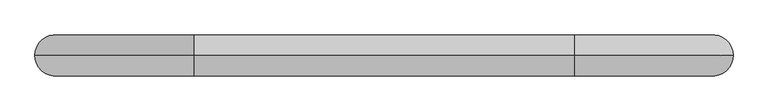
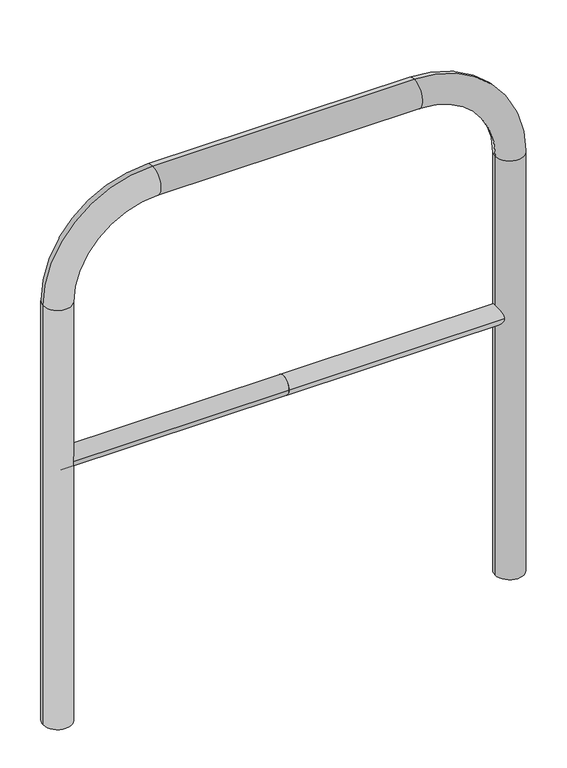
"""IFC4 building model written with IfcOpenShell, lengths in millimetres: proxy geometry."""

from ifc_helpers import new_model, si_unit, point, frame, frame_2d, origin, place, context, project, spatial, circle_curve, ellipse_curve, trimmed, segment, composite_curve, outline, extrude, source, transform, mapped, element, save
from ifc_brep_helpers import plane_surface, cylinder_surface, revolved_surface, advanced_brep


def generic_models_b5418244(model_context):
    return source(origin(), model_context, "Body", "SolidModel", [
        extrude(outline(composite_curve([segment(trimmed(circle_curve(frame_2d((0.0, 498.4778375)), 20.0), [point((-20.0, 498.4778375))], [point((20.0, 498.4778375))], False, "CARTESIAN"), True, "CONTINUOUS"), segment(trimmed(circle_curve(frame_2d((0.0, 498.4778375)), 20.0), [point((20.0, 498.4778375))], [point((-20.0, 498.4778375))], False, "CARTESIAN"), True, "CONTINUOUS")], self_intersect=False)), frame((-475.0, 0.0, 0.0), z_axis=(1.0, 0.0, 0.0), x_axis=(0.0, 1.0, 0.0)), (0.0, 0.0, 1.0), 475.0),
        extrude(outline(composite_curve([segment(trimmed(circle_curve(frame_2d((0.0, 498.4778375)), 20.0), [point((-20.0, 498.4778375))], [point((20.0, 498.4778375))], False, "CARTESIAN"), True, "CONTINUOUS"), segment(trimmed(circle_curve(frame_2d((0.0, 498.4778375)), 20.0), [point((20.0, 498.4778375))], [point((-20.0, 498.4778375))], False, "CARTESIAN"), True, "CONTINUOUS")], self_intersect=False)), frame((0.0, 0.0, 0.0), z_axis=(1.0, 0.0, 0.0), x_axis=(0.0, 1.0, 0.0)), (0.0, 0.0, 1.0), 475.0),
        advanced_brep(
        [(-445.0, 0.0, -80.0), (-505.0, 0.0, -80.0), (-445.0, 0.0, 850.0), (-505.0, 0.0, 850.0), (-275.0, 0.0, 1080.0), (-275.0, 0.0, 1020.0), (275.0, 0.0, 1020.0), (275.0, 0.0, 1080.0), (505.0, 0.0, 850.0), (445.0, 0.0, 850.0), (445.0, 0.0, -80.0), (505.0, 0.0, -80.0)],
        [
            (0, 1, circle_curve(frame((-475.0, 0.0, -80.0), z_axis=(0.0, 0.0, -1.0), x_axis=(-1.0, 0.0, 0.0)), 30.0)),
            (1, 0, circle_curve(frame((-475.0, 0.0, -80.0), z_axis=(0.0, 0.0, -1.0), x_axis=(-1.0, 0.0, 0.0)), 30.0)),
            (0, 2),
            (2, 3, circle_curve(frame((-475.0, 0.0, 850.0), z_axis=(0.0, 0.0, -1.0), x_axis=(-1.0, 0.0, 0.0)), 30.0)),
            (3, 1),
            (3, 2, circle_curve(frame((-475.0, 0.0, 850.0), z_axis=(0.0, 0.0, -1.0), x_axis=(-1.0, 0.0, 0.0)), 30.0)),
            (4, 3, circle_curve(frame((-275.0, 0.0, 850.0), z_axis=(0.0, -1.0, 0.0), x_axis=(-1.0, 0.0, 0.0)), 230.0)),
            (2, 5, circle_curve(frame((-275.0, 0.0, 850.0), z_axis=(0.0, 1.0, 0.0), x_axis=(-1.0, 0.0, 0.0)), 170.0)),
            (5, 4, circle_curve(frame((-275.0, 0.0, 1050.0), z_axis=(-1.0, 0.0, 0.0), x_axis=(0.0, 0.0, 1.0)), 30.0)),
            (4, 5, circle_curve(frame((-275.0, 0.0, 1050.0), z_axis=(-1.0, 0.0, 0.0), x_axis=(0.0, 0.0, 1.0)), 30.0)),
            (5, 6),
            (6, 7, circle_curve(frame((275.0, 0.0, 1050.0), z_axis=(-1.0, 0.0, 0.0), x_axis=(0.0, 0.0, 1.0)), 30.0)),
            (7, 4),
            (7, 6, circle_curve(frame((275.0, 0.0, 1050.0), z_axis=(-1.0, 0.0, 0.0), x_axis=(0.0, 0.0, 1.0)), 30.0)),
            (8, 7, circle_curve(frame((275.0, 0.0, 850.0), z_axis=(0.0, -1.0, 0.0), x_axis=(0.0, 0.0, 1.0)), 230.0)),
            (6, 9, circle_curve(frame((275.0, 0.0, 850.0), z_axis=(0.0, 1.0, 0.0), x_axis=(0.0, 0.0, 1.0)), 170.0)),
            (9, 8, circle_curve(frame((475.0, 0.0, 850.0), z_axis=(0.0, 0.0, 1.0), x_axis=(1.0, 0.0, 0.0)), 30.0)),
            (8, 9, circle_curve(frame((475.0, 0.0, 850.0), z_axis=(0.0, 0.0, 1.0), x_axis=(1.0, 0.0, 0.0)), 30.0)),
            (10, 11, circle_curve(frame((475.0, 0.0, -80.0), z_axis=(0.0, 0.0, -1.0), x_axis=(1.0, 0.0, 0.0)), 30.0)),
            (11, 10, circle_curve(frame((475.0, 0.0, -80.0), z_axis=(0.0, 0.0, -1.0), x_axis=(1.0, 0.0, 0.0)), 30.0)),
            (9, 10),
            (11, 8),
        ],
        [
            plane_surface(frame((-475.0, 0.0, -80.0), z_axis=(0.0, 0.0, -1.0), x_axis=(0.0, -1.0, 0.0))),
            cylinder_surface(frame((-475.0, 0.0, -80.0), z_axis=(0.0, 0.0, -1.0), x_axis=(-1.0, 0.0, 0.0)), 30.0),
            revolved_surface(trimmed(ellipse_curve(frame((-475.0, 0.0, 850.0), z_axis=(0.0, 0.0, -1.0), x_axis=(-1.0, 0.0, 0.0)), 30.0, 30.0), [point((-445.0, 0.0, 850.0))], [point((-505.0, 0.0, 850.0))], True, "CARTESIAN"), (-275.0, 0.0, 850.0), (0.0, 1.0, 0.0)),
            revolved_surface(trimmed(ellipse_curve(frame((-475.0, 0.0, 850.0), z_axis=(0.0, 0.0, -1.0), x_axis=(-1.0, 0.0, 0.0)), 30.0, 30.0), [point((-505.0, 0.0, 850.0))], [point((-445.0, 0.0, 850.0))], True, "CARTESIAN"), (-275.0, 0.0, 850.0), (0.0, 1.0, 0.0)),
            cylinder_surface(frame((-275.0, 0.0, 1050.0), z_axis=(-1.0, 0.0, 0.0), x_axis=(0.0, 0.0, 1.0)), 30.0),
            revolved_surface(trimmed(ellipse_curve(frame((275.0, 0.0, 1050.0), z_axis=(-1.0, 0.0, 0.0), x_axis=(0.0, 0.0, 1.0)), 30.0, 30.0), [point((275.0, 0.0, 1020.0))], [point((275.0, 0.0, 1080.0))], True, "CARTESIAN"), (275.0, 0.0, 850.0), (0.0, 1.0, 0.0)),
            revolved_surface(trimmed(ellipse_curve(frame((275.0, 0.0, 1050.0), z_axis=(-1.0, 0.0, 0.0), x_axis=(0.0, 0.0, 1.0)), 30.0, 30.0), [point((275.0, 0.0, 1080.0))], [point((275.0, 0.0, 1020.0))], True, "CARTESIAN"), (275.0, 0.0, 850.0), (0.0, 1.0, 0.0)),
            plane_surface(frame((475.0, 0.0, -80.0), z_axis=(0.0, 0.0, -1.0), x_axis=(0.0, -1.0, 0.0))),
            cylinder_surface(frame((475.0, 0.0, 850.0), z_axis=(0.0, 0.0, 1.0), x_axis=(1.0, 0.0, 0.0)), 30.0),
        ],
        [
            (0, [[1, 2]]),
            (1, [[-1, 3, 4, 5]]),
            (1, [[-2, -5, 6, -3]]),
            (2, [[7, -4, 8, 9]]),
            (3, [[-8, -6, -7, 10]]),
            (4, [[-9, 11, 12, 13]]),
            (4, [[-10, -13, 14, -11]]),
            (5, [[15, -12, 16, 17]]),
            (6, [[-16, -14, -15, 18]]),
            (7, [[19, 20]]),
            (8, [[-17, 21, -20, 22]]),
            (8, [[-18, -22, -19, -21]]),
        ],
    ),
    ])


if __name__ == "__main__":
    model = new_model("IFC4")
    model_context = context("Model", 3, world=origin())
    ifc_project = project(units=[si_unit("LENGTHUNIT", "METRE", prefix="MILLI")], contexts=[model_context])
    site = spatial("IfcSite", under=ifc_project)
    building = spatial("IfcBuilding", under=site)
    placement = place(None, origin())
    generic_models_shape = generic_models_b5418244(model_context)
    element("IfcBuildingElementProxy", 1, Name="Generic Models", at=placement, inside=building, context=model_context, shape_type="MappedRepresentation", body=[
        mapped(generic_models_shape, transform((0.0, 0.0, 0.0), x_axis=(1.0, 0.0, 0.0), y_axis=(0.0, 1.0, 0.0), z_axis=(0.0, 0.0, 1.0))),
    ])
    save(model, "model.ifc")
